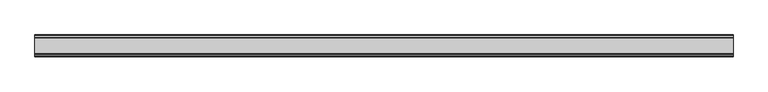
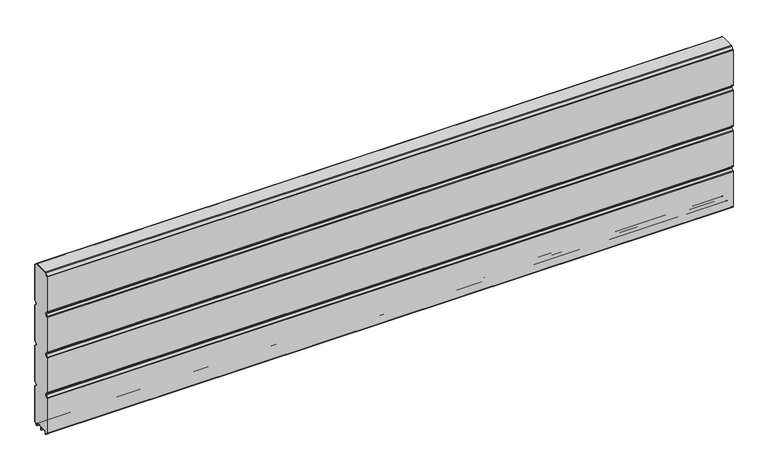
"""IFC4 building model written with IfcOpenShell, lengths in millimetres: plate geometry."""

from ifc_helpers import new_model, si_unit, point, frame, frame_2d, origin, place, context, project, spatial, polyline, circle_curve, trimmed, segment, composite_curve, outline, extrude, source, transform, mapped, element, save


def plate_00baa18a(model_context):
    return source(origin(), model_context, "Body", "SweptSolid", [
        extrude(outline(composite_curve([segment(polyline([(-29.2650466, 451.7624879), (-35.7138292, 458.2112702)]), True, "CONTINUOUS"), segment(trimmed(circle_curve(frame_2d((-34.2991913, 459.6259081)), 2.0006001), [point((-35.7138292, 458.2112702))], [point((-36.2997914, 459.6259081))], False, "CARTESIAN"), True, "CONTINUOUS"), segment(polyline([(-36.2997914, 459.6259081), (-36.2997914, 588.874925)]), True, "CONTINUOUS"), segment(trimmed(circle_curve(frame_2d((-34.3025404, 588.8763112)), 1.9972515), [point((-36.2997914, 588.874925))], [point((-35.7145328, 590.2888589))], False, "CARTESIAN"), True, "CONTINUOUS"), segment(polyline([(-35.7145328, 590.2888589), (-27.7860861, 598.2141893)]), True, "CONTINUOUS"), segment(trimmed(circle_curve(frame_2d((-26.3717262, 596.7992733)), 2.0006002), [point((-27.7860861, 598.2141893))], [point((-26.3717262, 598.7998734))], False, "CARTESIAN"), True, "CONTINUOUS"), segment(polyline([(-26.3717262, 598.7998734), (26.3717262, 598.7998734)]), True, "CONTINUOUS"), segment(trimmed(circle_curve(frame_2d((26.3717262, 596.7992733)), 2.0006002), [point((26.3717262, 598.7998734))], [point((27.7860861, 598.2141893))], False, "CARTESIAN"), True, "CONTINUOUS"), segment(polyline([(27.7860861, 598.2141893), (35.7145328, 590.2888589)]), True, "CONTINUOUS"), segment(trimmed(circle_curve(frame_2d((34.3025404, 588.8763112)), 1.9972515), [point((35.7145328, 590.2888589))], [point((36.2997914, 588.874925))], False, "CARTESIAN"), True, "CONTINUOUS"), segment(polyline([(36.2997914, 588.874925), (36.2997914, 459.6259081)]), True, "CONTINUOUS"), segment(trimmed(circle_curve(frame_2d((34.2991913, 459.6259081)), 2.0006001), [point((36.2997914, 459.6259081))], [point((35.7138292, 458.2112702))], False, "CARTESIAN"), True, "CONTINUOUS"), segment(polyline([(35.7138292, 458.2112702), (29.2650466, 451.7624879)]), True, "CONTINUOUS"), segment(trimmed(circle_curve(frame_2d((31.5325895, 449.4949449)), 3.20679), [point((29.2650466, 451.7624879))], [point((29.114664, 447.3884934))], True, "CARTESIAN"), True, "CONTINUOUS"), segment(polyline([(29.114664, 447.3884934), (35.7138291, 440.7893285)]), True, "CONTINUOUS"), segment(trimmed(circle_curve(frame_2d((34.2991912, 439.3746906)), 2.0006001), [point((35.7138291, 440.7893285))], [point((36.2997913, 439.3746906))], False, "CARTESIAN"), True, "CONTINUOUS"), segment(polyline([(36.2997913, 439.3746906), (36.2997913, 309.6259081)]), True, "CONTINUOUS"), segment(trimmed(circle_curve(frame_2d((34.2991912, 309.6259081)), 2.0006001), [point((36.2997913, 309.6259081))], [point((35.7138291, 308.2112702))], False, "CARTESIAN"), True, "CONTINUOUS"), segment(polyline([(35.7138291, 308.2112702), (29.2650466, 301.7624879)]), True, "CONTINUOUS"), segment(trimmed(circle_curve(frame_2d((31.5325895, 299.4949449)), 3.20679), [point((29.2650466, 301.7624879))], [point((29.4261379, 297.0770195))], True, "CARTESIAN"), True, "CONTINUOUS"), segment(polyline([(29.4261379, 297.0770195), (35.7138291, 290.7893285)]), True, "CONTINUOUS"), segment(trimmed(circle_curve(frame_2d((34.2991912, 289.3746906)), 2.0006001), [point((35.7138291, 290.7893285))], [point((36.2997913, 289.3746906))], False, "CARTESIAN"), True, "CONTINUOUS"), segment(polyline([(36.2997913, 289.3746906), (36.2997913, 159.6246474)]), True, "CONTINUOUS"), segment(trimmed(circle_curve(frame_2d((34.2991912, 159.6246474)), 2.0006001), [point((36.2997913, 159.6246474))], [point((35.7138291, 158.2100095))], False, "CARTESIAN"), True, "CONTINUOUS"), segment(polyline([(35.7138291, 158.2100095), (29.2650466, 151.7612271)]), True, "CONTINUOUS"), segment(trimmed(circle_curve(frame_2d((31.5325895, 149.4936842)), 3.20679), [point((29.2650466, 151.7612271))], [point((29.114664, 147.3872326))], True, "CARTESIAN"), True, "CONTINUOUS"), segment(polyline([(29.114664, 147.3872326), (35.7138292, 140.7880678)]), True, "CONTINUOUS"), segment(trimmed(circle_curve(frame_2d((34.2991912, 139.3734299)), 2.0006001), [point((35.7138292, 140.7880678))], [point((36.2997914, 139.3734299))], False, "CARTESIAN"), True, "CONTINUOUS"), segment(polyline([(36.2997914, 139.3734299), (36.2997914, 10.1250796)]), True, "CONTINUOUS"), segment(trimmed(circle_curve(frame_2d((34.299192, 10.1250796)), 2.0005994), [point((36.2997914, 10.1250796))], [point((35.7138294, 8.7104422))], False, "CARTESIAN"), True, "CONTINUOUS"), segment(polyline([(35.7138294, 8.7104422), (28.7893255, 1.7859383)]), True, "CONTINUOUS"), segment(trimmed(circle_curve(frame_2d((27.3158157, 3.2594482)), 2.0838576), [point((28.7893255, 1.7859383))], [point((25.2327947, 3.2004014))], False, "CARTESIAN"), True, "CONTINUOUS"), segment(polyline([(25.2327947, 3.2004014), (25.2327947, 7.9999453)]), True, "CONTINUOUS"), segment(trimmed(circle_curve(frame_2d((22.0323933, 7.9999453)), 3.2004014), [point((25.2327947, 7.9999453))], [point((22.0323933, 11.2003467))], True, "CARTESIAN"), True, "CONTINUOUS"), segment(polyline([(22.0323933, 11.2003467), (3.1993432, 11.2003467)]), True, "CONTINUOUS"), segment(trimmed(circle_curve(frame_2d((3.1993432, 8.0010035)), 3.1993432), [point((3.1993432, 11.2003467))], [point((0.0, 8.0010035))], True, "CARTESIAN"), True, "CONTINUOUS"), segment(trimmed(circle_curve(frame_2d((-3.1993432, 8.0010035)), 3.1993432), [point((0.0, 8.0010035))], [point((-3.1993432, 11.2003467))], True, "CARTESIAN"), True, "CONTINUOUS"), segment(polyline([(-3.1993432, 11.2003467), (-22.0323933, 11.2003467)]), True, "CONTINUOUS"), segment(trimmed(circle_curve(frame_2d((-22.0323933, 7.9999453)), 3.2004014), [point((-22.0323933, 11.2003467))], [point((-25.2327947, 7.9999453))], True, "CARTESIAN"), True, "CONTINUOUS"), segment(polyline([(-25.2327947, 7.9999453), (-25.2327947, 3.2004014)]), True, "CONTINUOUS"), segment(trimmed(circle_curve(frame_2d((-27.3158157, 3.2594482)), 2.0838576), [point((-25.2327947, 3.2004014))], [point((-28.7893255, 1.7859383))], False, "CARTESIAN"), True, "CONTINUOUS"), segment(polyline([(-28.7893255, 1.7859383), (-35.7138294, 8.7104422)]), True, "CONTINUOUS"), segment(trimmed(circle_curve(frame_2d((-34.299192, 10.1250796)), 2.0005994), [point((-35.7138294, 8.7104422))], [point((-36.2997914, 10.1250796))], False, "CARTESIAN"), True, "CONTINUOUS"), segment(polyline([(-36.2997914, 10.1250796), (-36.2997914, 139.3734299)]), True, "CONTINUOUS"), segment(trimmed(circle_curve(frame_2d((-34.2991912, 139.3734299)), 2.0006001), [point((-36.2997914, 139.3734299))], [point((-35.7138292, 140.7880678))], False, "CARTESIAN"), True, "CONTINUOUS"), segment(polyline([(-35.7138292, 140.7880678), (-29.114664, 147.3872326)]), True, "CONTINUOUS"), segment(trimmed(circle_curve(frame_2d((-31.5325895, 149.4936842)), 3.20679), [point((-29.114664, 147.3872326))], [point((-29.2650466, 151.7612271))], True, "CARTESIAN"), True, "CONTINUOUS"), segment(polyline([(-29.2650466, 151.7612271), (-35.7138291, 158.2100095)]), True, "CONTINUOUS"), segment(trimmed(circle_curve(frame_2d((-34.2991912, 159.6246474)), 2.0006001), [point((-35.7138291, 158.2100095))], [point((-36.2997913, 159.6246474))], False, "CARTESIAN"), True, "CONTINUOUS"), segment(polyline([(-36.2997913, 159.6246474), (-36.2997913, 289.3746906)]), True, "CONTINUOUS"), segment(trimmed(circle_curve(frame_2d((-34.2991912, 289.3746906)), 2.0006001), [point((-36.2997913, 289.3746906))], [point((-35.7138291, 290.7893285))], False, "CARTESIAN"), True, "CONTINUOUS"), segment(polyline([(-35.7138291, 290.7893285), (-29.4261379, 297.0770195)]), True, "CONTINUOUS"), segment(trimmed(circle_curve(frame_2d((-31.5325895, 299.4949449)), 3.20679), [point((-29.4261379, 297.0770195))], [point((-29.2650466, 301.7624879))], True, "CARTESIAN"), True, "CONTINUOUS"), segment(polyline([(-29.2650466, 301.7624879), (-35.7138291, 308.2112702)]), True, "CONTINUOUS"), segment(trimmed(circle_curve(frame_2d((-34.2991912, 309.6259081)), 2.0006001), [point((-35.7138291, 308.2112702))], [point((-36.2997913, 309.6259081))], False, "CARTESIAN"), True, "CONTINUOUS"), segment(polyline([(-36.2997913, 309.6259081), (-36.2997913, 439.3746906)]), True, "CONTINUOUS"), segment(trimmed(circle_curve(frame_2d((-34.2991912, 439.3746906)), 2.0006001), [point((-36.2997913, 439.3746906))], [point((-35.7138291, 440.7893285))], False, "CARTESIAN"), True, "CONTINUOUS"), segment(polyline([(-35.7138291, 440.7893285), (-29.114664, 447.3884934)]), True, "CONTINUOUS"), segment(trimmed(circle_curve(frame_2d((-31.5325895, 449.4949449)), 3.20679), [point((-29.114664, 447.3884934))], [point((-29.2650466, 451.7624879))], True, "CARTESIAN"), True, "CONTINUOUS")], self_intersect=False)), frame((-1200.0, 0.0, 0.0), z_axis=(1.0, 0.0, 0.0), x_axis=(0.0, 1.0, 0.0)), (0.0, 0.0, 1.0), 2400.0),
        extrude(outline(composite_curve([segment(trimmed(circle_curve(frame_2d((-34.299418, 588.8742584)), 3.200524), [point((-37.499942, 588.8742584))], [point((-36.5622582, 591.1376426))], False, "CARTESIAN"), True, "CONTINUOUS"), segment(polyline([(-36.5622582, 591.1376426), (-28.6355395, 599.0624563)]), True, "CONTINUOUS"), segment(trimmed(circle_curve(frame_2d((-26.3720296, 596.7984023)), 3.2014711), [point((-28.6355395, 599.0624563))], [point((-26.3720296, 599.9998734))], False, "CARTESIAN"), True, "CONTINUOUS"), segment(polyline([(-26.3720296, 599.9998734), (26.3720296, 599.9998734)]), True, "CONTINUOUS"), segment(trimmed(circle_curve(frame_2d((26.3720296, 596.7984023)), 3.2014711), [point((26.3720296, 599.9998734))], [point((28.6355395, 599.0624563))], False, "CARTESIAN"), True, "CONTINUOUS"), segment(polyline([(28.6355395, 599.0624563), (36.5622582, 591.1376426)]), True, "CONTINUOUS"), segment(trimmed(circle_curve(frame_2d((34.299418, 588.8742584)), 3.200524), [point((36.5622582, 591.1376426))], [point((37.499942, 588.8742584))], False, "CARTESIAN"), True, "CONTINUOUS"), segment(polyline([(37.499942, 588.8742584), (37.499942, 459.6259081)]), True, "CONTINUOUS"), segment(trimmed(circle_curve(frame_2d((34.3010265, 459.6259081)), 3.1989155), [point((37.499942, 459.6259081))], [point((36.5630013, 457.3639333))], False, "CARTESIAN"), True, "CONTINUOUS"), segment(polyline([(36.5630013, 457.3639333), (30.1138303, 450.9147625)]), True, "CONTINUOUS"), segment(trimmed(circle_curve(frame_2d((31.5282934, 449.5002993)), 2.000353), [point((30.1138303, 450.9147625))], [point((30.1138303, 448.0858362))], True, "CARTESIAN"), True, "CONTINUOUS"), segment(polyline([(30.1138303, 448.0858362), (36.5630013, 441.6366654)]), True, "CONTINUOUS"), segment(trimmed(circle_curve(frame_2d((34.3010265, 439.3746906)), 3.1989154), [point((36.5630013, 441.6366654))], [point((37.4999419, 439.3746906))], False, "CARTESIAN"), True, "CONTINUOUS"), segment(polyline([(37.4999419, 439.3746906), (37.4999419, 309.6259081)]), True, "CONTINUOUS"), segment(trimmed(circle_curve(frame_2d((34.3010265, 309.6259081)), 3.1989154), [point((37.4999419, 309.6259081))], [point((36.5630013, 307.3639333))], False, "CARTESIAN"), True, "CONTINUOUS"), segment(polyline([(36.5630013, 307.3639333), (30.1138303, 300.9147625)]), True, "CONTINUOUS"), segment(trimmed(circle_curve(frame_2d((31.5282934, 299.5002993)), 2.000353), [point((30.1138303, 300.9147625))], [point((30.1138303, 298.0858362))], True, "CARTESIAN"), True, "CONTINUOUS"), segment(polyline([(30.1138303, 298.0858362), (36.5630013, 291.6366654)]), True, "CONTINUOUS"), segment(trimmed(circle_curve(frame_2d((34.3010265, 289.3746906)), 3.1989154), [point((36.5630013, 291.6366654))], [point((37.4999419, 289.3746906))], False, "CARTESIAN"), True, "CONTINUOUS"), segment(polyline([(37.4999419, 289.3746906), (37.4999419, 159.6246474)]), True, "CONTINUOUS"), segment(trimmed(circle_curve(frame_2d((34.3010265, 159.6246474)), 3.1989154), [point((37.4999419, 159.6246474))], [point((36.5630013, 157.3626726))], False, "CARTESIAN"), True, "CONTINUOUS"), segment(polyline([(36.5630013, 157.3626726), (30.1138303, 150.9135018)]), True, "CONTINUOUS"), segment(trimmed(circle_curve(frame_2d((31.5282934, 149.4990386)), 2.000353), [point((30.1138303, 150.9135018))], [point((30.1138303, 148.0845755))], True, "CARTESIAN"), True, "CONTINUOUS"), segment(polyline([(30.1138303, 148.0845755), (36.5630013, 141.6354046)]), True, "CONTINUOUS"), segment(trimmed(circle_curve(frame_2d((34.3010265, 139.3734298)), 3.1989154), [point((36.5630013, 141.6354046))], [point((37.4999419, 139.3734298))], False, "CARTESIAN"), True, "CONTINUOUS"), segment(polyline([(37.4999419, 139.3734298), (37.4999419, 10.1250796)]), True, "CONTINUOUS"), segment(trimmed(circle_curve(frame_2d((34.3010265, 10.1250796)), 3.1989154), [point((37.4999419, 10.1250796))], [point((36.5630004, 7.8631039))], False, "CARTESIAN"), True, "CONTINUOUS"), segment(polyline([(36.5630004, 7.8631039), (29.6332576, 0.9333666)]), True, "CONTINUOUS"), segment(trimmed(circle_curve(frame_2d((27.311397, 3.255229)), 3.283608), [point((29.6332576, 0.9333666))], [point((24.0283217, 3.1960843))], False, "CARTESIAN"), True, "CONTINUOUS"), segment(polyline([(24.0283217, 3.1960843), (24.0326442, 7.9999453)]), True, "CONTINUOUS"), segment(trimmed(circle_curve(frame_2d((22.0341915, 8.0017435)), 1.9984535), [point((24.0326442, 7.9999453))], [point((22.0323933, 10.0001962))], True, "CARTESIAN"), True, "CONTINUOUS"), segment(polyline([(22.0323933, 10.0001962), (3.1993432, 10.0001962)]), True, "CONTINUOUS"), segment(trimmed(circle_curve(frame_2d((3.1993432, 8.0010035)), 1.9991927), [point((3.1993432, 10.0001962))], [point((1.2001505, 8.0010035))], True, "CARTESIAN"), True, "CONTINUOUS"), segment(polyline([(1.2001505, 8.0010035), (1.2001504, 0.0), (0.0, 0.0), (-1.2001504, 0.0), (-1.2001504, 8.0010034)]), True, "CONTINUOUS"), segment(trimmed(circle_curve(frame_2d((-3.1993432, 8.0010035)), 1.9991928), [point((-1.2001504, 8.0010034))], [point((-3.1993432, 10.0001963))], True, "CARTESIAN"), True, "CONTINUOUS"), segment(polyline([(-3.1993432, 10.0001963), (-22.0323933, 10.0001962)]), True, "CONTINUOUS"), segment(trimmed(circle_curve(frame_2d((-22.0341915, 8.0017435)), 1.9984535), [point((-22.0323933, 10.0001962))], [point((-24.0326442, 7.9999453))], True, "CARTESIAN"), True, "CONTINUOUS"), segment(polyline([(-24.0326442, 7.9999453), (-24.0283217, 3.1960843)]), True, "CONTINUOUS"), segment(trimmed(circle_curve(frame_2d((-27.311397, 3.255229)), 3.283608), [point((-24.0283217, 3.1960843))], [point((-29.6332576, 0.9333666))], False, "CARTESIAN"), True, "CONTINUOUS"), segment(polyline([(-29.6332576, 0.9333666), (-36.5630004, 7.8631039)]), True, "CONTINUOUS"), segment(trimmed(circle_curve(frame_2d((-34.3010265, 10.1250796)), 3.1989154), [point((-36.5630004, 7.8631039))], [point((-37.4999419, 10.1250796))], False, "CARTESIAN"), True, "CONTINUOUS"), segment(polyline([(-37.4999419, 10.1250796), (-37.4999419, 139.3734298)]), True, "CONTINUOUS"), segment(trimmed(circle_curve(frame_2d((-34.3010265, 139.3734298)), 3.1989154), [point((-37.4999419, 139.3734298))], [point((-36.5630013, 141.6354046))], False, "CARTESIAN"), True, "CONTINUOUS"), segment(polyline([(-36.5630013, 141.6354046), (-30.1138303, 148.0845755)]), True, "CONTINUOUS"), segment(trimmed(circle_curve(frame_2d((-31.5282934, 149.4990386)), 2.000353), [point((-30.1138303, 148.0845755))], [point((-30.1138303, 150.9135018))], True, "CARTESIAN"), True, "CONTINUOUS"), segment(polyline([(-30.1138303, 150.9135018), (-36.5630013, 157.3626726)]), True, "CONTINUOUS"), segment(trimmed(circle_curve(frame_2d((-34.3010265, 159.6246474)), 3.1989154), [point((-36.5630013, 157.3626726))], [point((-37.4999419, 159.6246474))], False, "CARTESIAN"), True, "CONTINUOUS"), segment(polyline([(-37.4999419, 159.6246474), (-37.4999419, 289.3746906)]), True, "CONTINUOUS"), segment(trimmed(circle_curve(frame_2d((-34.3010265, 289.3746906)), 3.1989154), [point((-37.4999419, 289.3746906))], [point((-36.5630013, 291.6366653))], False, "CARTESIAN"), True, "CONTINUOUS"), segment(polyline([(-36.5630013, 291.6366653), (-30.1138303, 298.0858362)]), True, "CONTINUOUS"), segment(trimmed(circle_curve(frame_2d((-31.5282934, 299.5002993)), 2.000353), [point((-30.1138303, 298.0858362))], [point((-30.1138303, 300.9147625))], True, "CARTESIAN"), True, "CONTINUOUS"), segment(polyline([(-30.1138303, 300.9147625), (-36.5630013, 307.3639333)]), True, "CONTINUOUS"), segment(trimmed(circle_curve(frame_2d((-34.3010265, 309.6259081)), 3.1989154), [point((-36.5630013, 307.3639333))], [point((-37.4999419, 309.6259081))], False, "CARTESIAN"), True, "CONTINUOUS"), segment(polyline([(-37.4999419, 309.6259081), (-37.4999419, 439.3746906)]), True, "CONTINUOUS"), segment(trimmed(circle_curve(frame_2d((-34.3010265, 439.3746906)), 3.1989154), [point((-37.4999419, 439.3746906))], [point((-36.5630013, 441.6366653))], False, "CARTESIAN"), True, "CONTINUOUS"), segment(polyline([(-36.5630013, 441.6366653), (-30.1138303, 448.0858362)]), True, "CONTINUOUS"), segment(trimmed(circle_curve(frame_2d((-31.5282934, 449.5002993)), 2.000353), [point((-30.1138303, 448.0858362))], [point((-30.1138303, 450.9147625))], True, "CARTESIAN"), True, "CONTINUOUS"), segment(polyline([(-30.1138303, 450.9147625), (-36.5630013, 457.3639333)]), True, "CONTINUOUS"), segment(trimmed(circle_curve(frame_2d((-34.3010265, 459.6259081)), 3.1989155), [point((-36.5630013, 457.3639333))], [point((-37.499942, 459.6259081))], False, "CARTESIAN"), True, "CONTINUOUS"), segment(polyline([(-37.499942, 459.6259081), (-37.499942, 588.8742584)]), True, "CONTINUOUS")], self_intersect=False), holes=[composite_curve([segment(trimmed(circle_curve(frame_2d((-31.5325895, 449.4949449)), 3.20679), [point((-29.2650466, 451.7624879))], [point((-29.114664, 447.3884934))], False, "CARTESIAN"), True, "CONTINUOUS"), segment(polyline([(-29.114664, 447.3884934), (-35.7138291, 440.7893285)]), True, "CONTINUOUS"), segment(trimmed(circle_curve(frame_2d((-34.2991912, 439.3746906)), 2.0006001), [point((-35.7138291, 440.7893285))], [point((-36.2997913, 439.3746906))], True, "CARTESIAN"), True, "CONTINUOUS"), segment(polyline([(-36.2997913, 439.3746906), (-36.2997913, 309.6259081)]), True, "CONTINUOUS"), segment(trimmed(circle_curve(frame_2d((-34.2991912, 309.6259081)), 2.0006001), [point((-36.2997913, 309.6259081))], [point((-35.7138291, 308.2112702))], True, "CARTESIAN"), True, "CONTINUOUS"), segment(polyline([(-35.7138291, 308.2112702), (-29.2650466, 301.7624879)]), True, "CONTINUOUS"), segment(trimmed(circle_curve(frame_2d((-31.5325895, 299.4949449)), 3.20679), [point((-29.2650466, 301.7624879))], [point((-29.4261379, 297.0770195))], False, "CARTESIAN"), True, "CONTINUOUS"), segment(polyline([(-29.4261379, 297.0770195), (-35.7138291, 290.7893285)]), True, "CONTINUOUS"), segment(trimmed(circle_curve(frame_2d((-34.2991912, 289.3746906)), 2.0006001), [point((-35.7138291, 290.7893285))], [point((-36.2997913, 289.3746906))], True, "CARTESIAN"), True, "CONTINUOUS"), segment(polyline([(-36.2997913, 289.3746906), (-36.2997913, 159.6246474)]), True, "CONTINUOUS"), segment(trimmed(circle_curve(frame_2d((-34.2991912, 159.6246474)), 2.0006001), [point((-36.2997913, 159.6246474))], [point((-35.7138291, 158.2100095))], True, "CARTESIAN"), True, "CONTINUOUS"), segment(polyline([(-35.7138291, 158.2100095), (-29.2650466, 151.7612271)]), True, "CONTINUOUS"), segment(trimmed(circle_curve(frame_2d((-31.5325895, 149.4936842)), 3.20679), [point((-29.2650466, 151.7612271))], [point((-29.114664, 147.3872326))], False, "CARTESIAN"), True, "CONTINUOUS"), segment(polyline([(-29.114664, 147.3872326), (-35.7138292, 140.7880677)]), True, "CONTINUOUS"), segment(trimmed(circle_curve(frame_2d((-34.2991912, 139.3734298)), 2.0006001), [point((-35.7138292, 140.7880677))], [point((-36.2997914, 139.3734298))], True, "CARTESIAN"), True, "CONTINUOUS"), segment(polyline([(-36.2997914, 139.3734298), (-36.2997914, 10.1250796)]), True, "CONTINUOUS"), segment(trimmed(circle_curve(frame_2d((-34.299192, 10.1250796)), 2.0005994), [point((-36.2997914, 10.1250796))], [point((-35.7138294, 8.7104422))], True, "CARTESIAN"), True, "CONTINUOUS"), segment(polyline([(-35.7138294, 8.7104422), (-28.7893255, 1.7859383)]), True, "CONTINUOUS"), segment(trimmed(circle_curve(frame_2d((-27.3158157, 3.2594482)), 2.0838576), [point((-28.7893255, 1.7859383))], [point((-25.2327947, 3.2004014))], True, "CARTESIAN"), True, "CONTINUOUS"), segment(polyline([(-25.2327947, 3.2004014), (-25.2327947, 7.9999453)]), True, "CONTINUOUS"), segment(trimmed(circle_curve(frame_2d((-22.0323933, 7.9999453)), 3.2004014), [point((-25.2327947, 7.9999453))], [point((-22.0323933, 11.2003467))], False, "CARTESIAN"), True, "CONTINUOUS"), segment(polyline([(-22.0323933, 11.2003467), (-3.1993432, 11.2003467)]), True, "CONTINUOUS"), segment(trimmed(circle_curve(frame_2d((-3.1993432, 8.0010035)), 3.1993432), [point((-3.1993432, 11.2003467))], [point((0.0, 8.0010035))], False, "CARTESIAN"), True, "CONTINUOUS"), segment(trimmed(circle_curve(frame_2d((3.1993432, 8.0010035)), 3.1993432), [point((0.0, 8.0010035))], [point((3.1993432, 11.2003467))], False, "CARTESIAN"), True, "CONTINUOUS"), segment(polyline([(3.1993432, 11.2003467), (22.0323933, 11.2003467)]), True, "CONTINUOUS"), segment(trimmed(circle_curve(frame_2d((22.0323933, 7.9999453)), 3.2004014), [point((22.0323933, 11.2003467))], [point((25.2327947, 7.9999453))], False, "CARTESIAN"), True, "CONTINUOUS"), segment(polyline([(25.2327947, 7.9999453), (25.2327947, 3.2004014)]), True, "CONTINUOUS"), segment(trimmed(circle_curve(frame_2d((27.3158157, 3.2594482)), 2.0838576), [point((25.2327947, 3.2004014))], [point((28.7893255, 1.7859383))], True, "CARTESIAN"), True, "CONTINUOUS"), segment(polyline([(28.7893255, 1.7859383), (35.7138294, 8.7104422)]), True, "CONTINUOUS"), segment(trimmed(circle_curve(frame_2d((34.299192, 10.1250796)), 2.0005994), [point((35.7138294, 8.7104422))], [point((36.2997914, 10.1250796))], True, "CARTESIAN"), True, "CONTINUOUS"), segment(polyline([(36.2997914, 10.1250796), (36.2997914, 139.3734298)]), True, "CONTINUOUS"), segment(trimmed(circle_curve(frame_2d((34.2991912, 139.3734298)), 2.0006001), [point((36.2997914, 139.3734298))], [point((35.7138292, 140.7880678))], True, "CARTESIAN"), True, "CONTINUOUS"), segment(polyline([(35.7138292, 140.7880678), (29.114664, 147.3872326)]), True, "CONTINUOUS"), segment(trimmed(circle_curve(frame_2d((31.5325895, 149.4936842)), 3.20679), [point((29.114664, 147.3872326))], [point((29.2650466, 151.7612271))], False, "CARTESIAN"), True, "CONTINUOUS"), segment(polyline([(29.2650466, 151.7612271), (35.7138291, 158.2100095)]), True, "CONTINUOUS"), segment(trimmed(circle_curve(frame_2d((34.2991912, 159.6246474)), 2.0006001), [point((35.7138291, 158.2100095))], [point((36.2997913, 159.6246474))], True, "CARTESIAN"), True, "CONTINUOUS"), segment(polyline([(36.2997913, 159.6246474), (36.2997913, 289.3746906)]), True, "CONTINUOUS"), segment(trimmed(circle_curve(frame_2d((34.2991912, 289.3746906)), 2.0006001), [point((36.2997913, 289.3746906))], [point((35.7138291, 290.7893285))], True, "CARTESIAN"), True, "CONTINUOUS"), segment(polyline([(35.7138291, 290.7893285), (29.4261379, 297.0770195)]), True, "CONTINUOUS"), segment(trimmed(circle_curve(frame_2d((31.5325895, 299.4949449)), 3.20679), [point((29.4261379, 297.0770195))], [point((29.2650466, 301.7624879))], False, "CARTESIAN"), True, "CONTINUOUS"), segment(polyline([(29.2650466, 301.7624879), (35.7138291, 308.2112702)]), True, "CONTINUOUS"), segment(trimmed(circle_curve(frame_2d((34.2991912, 309.6259081)), 2.0006001), [point((35.7138291, 308.2112702))], [point((36.2997913, 309.6259081))], True, "CARTESIAN"), True, "CONTINUOUS"), segment(polyline([(36.2997913, 309.6259081), (36.2997913, 439.3746906)]), True, "CONTINUOUS"), segment(trimmed(circle_curve(frame_2d((34.2991912, 439.3746906)), 2.0006001), [point((36.2997913, 439.3746906))], [point((35.7138291, 440.7893285))], True, "CARTESIAN"), True, "CONTINUOUS"), segment(polyline([(35.7138291, 440.7893285), (29.114664, 447.3884934)]), True, "CONTINUOUS"), segment(trimmed(circle_curve(frame_2d((31.5325895, 449.4949449)), 3.20679), [point((29.114664, 447.3884934))], [point((29.2650466, 451.7624879))], False, "CARTESIAN"), True, "CONTINUOUS"), segment(polyline([(29.2650466, 451.7624879), (35.7138292, 458.2112702)]), True, "CONTINUOUS"), segment(trimmed(circle_curve(frame_2d((34.2991913, 459.6259081)), 2.0006001), [point((35.7138292, 458.2112702))], [point((36.2997914, 459.6259081))], True, "CARTESIAN"), True, "CONTINUOUS"), segment(polyline([(36.2997914, 459.6259081), (36.2997914, 588.874925)]), True, "CONTINUOUS"), segment(trimmed(circle_curve(frame_2d((34.3025404, 588.8763112)), 1.9972515), [point((36.2997914, 588.874925))], [point((35.7145328, 590.2888589))], True, "CARTESIAN"), True, "CONTINUOUS"), segment(polyline([(35.7145328, 590.2888589), (27.7860861, 598.2141893)]), True, "CONTINUOUS"), segment(trimmed(circle_curve(frame_2d((26.3717262, 596.7992733)), 2.0006002), [point((27.7860861, 598.2141893))], [point((26.3717262, 598.7998734))], True, "CARTESIAN"), True, "CONTINUOUS"), segment(polyline([(26.3717262, 598.7998734), (-26.3717262, 598.7998734)]), True, "CONTINUOUS"), segment(trimmed(circle_curve(frame_2d((-26.3717262, 596.7992733)), 2.0006002), [point((-26.3717262, 598.7998734))], [point((-27.7860861, 598.2141893))], True, "CARTESIAN"), True, "CONTINUOUS"), segment(polyline([(-27.7860861, 598.2141893), (-35.7145328, 590.2888589)]), True, "CONTINUOUS"), segment(trimmed(circle_curve(frame_2d((-34.3025404, 588.8763112)), 1.9972515), [point((-35.7145328, 590.2888589))], [point((-36.2997914, 588.874925))], True, "CARTESIAN"), True, "CONTINUOUS"), segment(polyline([(-36.2997914, 588.874925), (-36.2997914, 459.6259081)]), True, "CONTINUOUS"), segment(trimmed(circle_curve(frame_2d((-34.2991913, 459.6259081)), 2.0006001), [point((-36.2997914, 459.6259081))], [point((-35.7138292, 458.2112702))], True, "CARTESIAN"), True, "CONTINUOUS"), segment(polyline([(-35.7138292, 458.2112702), (-29.2650466, 451.7624879)]), True, "CONTINUOUS")], self_intersect=False)]), frame((-1200.0, 0.0, 0.0), z_axis=(1.0, 0.0, 0.0), x_axis=(0.0, 1.0, 0.0)), (0.0, 0.0, 1.0), 2400.0),
    ])


if __name__ == "__main__":
    model = new_model("IFC4")
    model_context = context("Model", 3, world=origin())
    ifc_project = project(units=[si_unit("LENGTHUNIT", "METRE", prefix="MILLI")], contexts=[model_context])
    site = spatial("IfcSite", under=ifc_project)
    building = spatial("IfcBuilding", under=site)
    placement = place(None, origin())
    plate_shape = plate_00baa18a(model_context)
    element("IfcPlate", 1, at=placement, inside=building, context=model_context, shape_type="MappedRepresentation", body=[
        mapped(plate_shape, transform((0.0, 0.0, 0.0), x_axis=(1.0, 0.0, 0.0), y_axis=(0.0, 1.0, 0.0), z_axis=(0.0, 0.0, 1.0))),
    ])
    save(model, "model.ifc")
